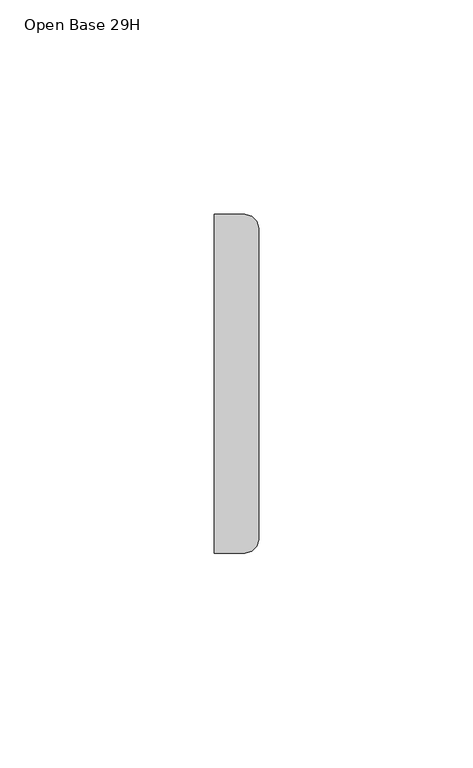
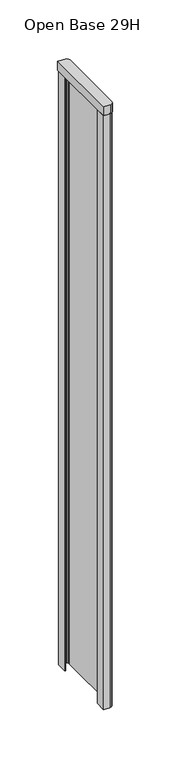
"""IFC4 building model written with IfcOpenShell, lengths in millimetres: furniture geometry, Open Base 29H."""

import ifcopenshell
import ifcopenshell.guid

model = None  # the IFC model being written
_history = None  # IfcOwnerHistory: only IFC2X3 demands one
_inside = {}  # id of a spatial element -> (the spatial element, [elements in it])
_under = {}  # id of a project, library or spatial element -> (it, [spatial elements below it])
_declared = {}  # id of a project -> (the project, [libraries it declares])
_typed = {}  # id of a type object -> (the type object, [elements of that type])
_made_of = {}  # id of a material, layer set ... -> (it, [elements and type objects made of it])


def new_model(schema):
    """Start an empty IFC model of exactly this schema.

    Asked for "IFC4X3", IfcOpenShell would pick the latest addendum, in which some entities
    have other attributes; the version numbers below select the first issue.
    IFC2X3 requires an IfcOwnerHistory on every rooted entity: one is made here for all.
    """
    global model, _history
    if schema == "IFC4X3":
        model = ifcopenshell.file(schema_version=(4, 3, 0, 0))
    else:
        model = ifcopenshell.file(schema=schema)
    _inside.clear()
    _under.clear()
    _declared.clear()
    _typed.clear()
    _made_of.clear()
    _history = None
    if model.schema == "IFC2X3":
        org = make("IfcOrganization", Name="unknown")
        user = make(
            "IfcPersonAndOrganization",
            ThePerson=make("IfcPerson", FamilyName="unknown"),
            TheOrganization=org,
        )
        app = make(
            "IfcApplication",
            ApplicationDeveloper=org,
            Version="unknown",
            ApplicationFullName="unknown",
            ApplicationIdentifier="unknown",
        )
        _history = make(
            "IfcOwnerHistory",
            OwningUser=user,
            OwningApplication=app,
            ChangeAction="ADDED",
            CreationDate=0,
        )
    return model


def make(cls, **values):
    """One entity of the class cls with the attributes given. An attribute that is None is left unset."""
    return model.create_entity(
        cls, **{name: value for name, value in values.items() if value is not None}
    )


def rooted(cls, **values):
    """An entity with a GlobalId (a new one), such as an element, a storey or a relation."""
    return make(cls, GlobalId=ifcopenshell.guid.new(), OwnerHistory=_history, **values)


def si_unit(unit_type, name, prefix=None):
    """IfcSIUnit, for example si_unit("LENGTHUNIT", "METRE", prefix="MILLI")."""
    return make("IfcSIUnit", UnitType=unit_type, Prefix=prefix, Name=name)


def assignment(units):
    """IfcUnitAssignment: the units of a project."""
    return None if units is None else make("IfcUnitAssignment", Units=units)


def point(xyz):
    """IfcCartesianPoint."""
    return None if xyz is None else make("IfcCartesianPoint", Coordinates=xyz)


def direction(xyz):
    """IfcDirection."""
    return None if xyz is None else make("IfcDirection", DirectionRatios=xyz)


def frame(location, z_axis=None, x_axis=None):
    """IfcAxis2Placement3D, a coordinate frame: its origin and axes. An axis left out is left unset."""
    return make(
        "IfcAxis2Placement3D",
        Location=point(location),
        Axis=direction(z_axis),
        RefDirection=direction(x_axis),
    )


def origin():
    """The frame at (0, 0, 0) with its axes left unset."""
    return frame((0.0, 0.0, 0.0))


def place(relative_to, where):
    """IfcLocalPlacement: puts the frame where relative to a parent placement (None: the world)."""
    return make(
        "IfcLocalPlacement", PlacementRelTo=relative_to, RelativePlacement=where
    )


def context(
    kind, dimensions, precision=None, world=None, true_north=None, identifier=None
):
    """IfcGeometricRepresentationContext, for example the 3D "Model" context."""
    return make(
        "IfcGeometricRepresentationContext",
        ContextIdentifier=identifier,
        ContextType=kind,
        CoordinateSpaceDimension=dimensions,
        Precision=precision,
        WorldCoordinateSystem=world,
        TrueNorth=true_north,
    )


def project(units=None, contexts=None):
    """IfcProject with its units and contexts."""
    return rooted(
        "IfcProject",
        Name="project",
        RepresentationContexts=contexts,
        UnitsInContext=assignment(units),
    )


def spatial(cls, under=None, at=None, **own):
    """A site, building, storey or space (cls), placed at a placement, below another one or the project."""
    s = rooted(cls, ObjectPlacement=at, **own)
    if under is not None:
        _under.setdefault(under.id(), (under, []))[1].append(s)
    return s


def polyline(points):
    """IfcPolyline through the points."""
    return make("IfcPolyline", Points=[point(p) for p in points])


def outline(outer, holes=None, kind="AREA"):
    """IfcArbitraryClosedProfileDef: a profile drawn as a closed curve; with holes, ...WithVoids."""
    if holes is None:
        return make("IfcArbitraryClosedProfileDef", ProfileType=kind, OuterCurve=outer)
    return make(
        "IfcArbitraryProfileDefWithVoids",
        ProfileType=kind,
        OuterCurve=outer,
        InnerCurves=holes,
    )


def extrude(swept, where, along, depth):
    """IfcExtrudedAreaSolid: the profile swept, set in the frame where, extruded along a direction by depth."""
    return make(
        "IfcExtrudedAreaSolid",
        SweptArea=swept,
        Position=where,
        ExtrudedDirection=direction(along),
        Depth=depth,
    )


def shape(context_of_items, identifier, shape_type, items):
    """IfcShapeRepresentation: the items that make up one representation, for example the "Body"."""
    return make(
        "IfcShapeRepresentation",
        ContextOfItems=context_of_items,
        RepresentationIdentifier=identifier,
        RepresentationType=shape_type,
        Items=items,
    )


def source(mapping_origin, context_of_items, identifier, shape_type, items):
    """IfcRepresentationMap: a shape defined once, which mapped items show again and again."""
    return make(
        "IfcRepresentationMap",
        MappingOrigin=mapping_origin,
        MappedRepresentation=shape(context_of_items, identifier, shape_type, items),
    )


def transform(
    local_origin,
    x_axis=None,
    y_axis=None,
    z_axis=None,
    scale=None,
    scale2=None,
    scale3=None,
    uniform=True,
):
    """IfcCartesianTransformationOperator3D, or its non-uniform kind. x_axis, y_axis, z_axis: its Axis1, 2, 3."""
    if uniform:
        return make(
            "IfcCartesianTransformationOperator3D",
            Axis1=direction(x_axis),
            Axis2=direction(y_axis),
            LocalOrigin=point(local_origin),
            Scale=scale,
            Axis3=direction(z_axis),
        )
    return make(
        "IfcCartesianTransformationOperator3DnonUniform",
        Axis1=direction(x_axis),
        Axis2=direction(y_axis),
        LocalOrigin=point(local_origin),
        Scale=scale,
        Axis3=direction(z_axis),
        Scale2=scale2,
        Scale3=scale3,
    )


def mapped(mapping_source, mapping_target):
    """IfcMappedItem: shows the shape of a source again, moved by a transform."""
    return make(
        "IfcMappedItem", MappingSource=mapping_source, MappingTarget=mapping_target
    )


def made_of(thing, what):
    """Note that an element or type object is made of a material, layer set ...; save() writes the relation."""
    if what is not None:
        _made_of.setdefault(what.id(), (what, []))[1].append(thing)
    return thing


def element(
    cls,
    number,
    at=None,
    inside=None,
    cuts=None,
    type_object=None,
    material=None,
    context=None,
    identifier="Body",
    shape_type=None,
    held_by="IfcProductDefinitionShape",
    body=None,
    shapes=None,
    **own,
):
    """One element of the class cls, such as IfcWall. Its Tag is "e" and its number.

    at: its placement. inside: the storey or other place that contains it. cuts: it is an
    opening in that element (IfcRelVoidsElement). A single representation is given by context,
    identifier, shape_type and body (its items); several are given by shapes. held_by: the class
    of the entity that holds the representations. save() writes the other relations.
    """
    e = rooted(cls, Tag="e%d" % number, ObjectPlacement=at, **own)
    if body is not None:
        shapes = [shape(context, identifier, shape_type, body)]
    if shapes is not None:
        e.Representation = make(held_by, Representations=shapes)
    if inside is not None:
        _inside.setdefault(inside.id(), (inside, []))[1].append(e)
    if cuts is not None:
        rooted(
            "IfcRelVoidsElement", RelatingBuildingElement=cuts, RelatedOpeningElement=e
        )
    if type_object is not None:
        _typed.setdefault(type_object.id(), (type_object, []))[1].append(e)
    return made_of(e, material)


def aggregate(whole, parts):
    """IfcRelAggregates: a whole, such as a stair, and the parts it consists of."""
    return rooted("IfcRelAggregates", RelatingObject=whole, RelatedObjects=parts)


def save(model, path):
    """Write the relations noted so far, then the file.

    IfcRelAggregates (storeys below a building ...), IfcRelContainedInSpatialStructure (elements
    in a storey), IfcRelDefinesByType, IfcRelAssociatesMaterial and IfcRelDeclares: one each for
    every whole, place, type object, material and project.
    """
    for whole, parts in _under.values():
        aggregate(whole, parts)
    for where, things in _inside.values():
        rooted(
            "IfcRelContainedInSpatialStructure",
            RelatedElements=things,
            RelatingStructure=where,
        )
    for kind, things in _typed.values():
        rooted("IfcRelDefinesByType", RelatedObjects=things, RelatingType=kind)
    for what, things in _made_of.values():
        rooted("IfcRelAssociatesMaterial", RelatedObjects=things, RelatingMaterial=what)
    for by, libraries in _declared.values():
        rooted("IfcRelDeclares", RelatingContext=by, RelatedDefinitions=libraries)
    model.write(path)


def open_base_29h_899daa0f(model_context):
    return source(origin(), model_context, "Body", "SweptSolid", [
        extrude(outline(polyline([(0.0, -10.7823), (0.0, 0.0), (6.3500002, 0.0), (7.9374998, -0.4253693), (9.0996308, -1.5875), (9.525, -3.1750001), (9.525, -75.0570011), (9.0996308, -76.6445041), (7.9374998, -77.8066334), (6.3500002, -78.2319981), (0.0, -78.2319981), (0.0, -67.4242986), (0.7874, -67.4242986), (0.7874, -77.4445981), (6.2463381, -77.4445981), (7.5299127, -77.100669), (8.3936672, -76.2369158), (8.7376, -74.9533381), (8.7376, -3.2786632), (8.3936673, -1.9950883), (7.5299116, -1.1313329), (6.246337, -0.7874), (0.7874, -0.7874), (0.7874, -10.7823), (0.0, -10.7823)])), frame((0.0, 0.0, 101.6), z_axis=(0.0, 0.0, 1.0), x_axis=(1.0, 0.0, 0.0)), (0.0, 0.0, 1.0), 625.475),
        extrude(outline(polyline([(6.7183002, 0.3937), (8.3057998, -0.0316693), (9.4679308, -1.1938001), (9.8933006, -2.7813), (9.8933006, -75.4253016), (9.4679308, -77.0127956), (8.3057998, -78.174934), (6.7183002, -78.6002986), (-0.3937, -78.6002986), (-0.3937, 0.3937), (6.7183002, 0.3937)])), frame((0.0, 0.0, 727.075), z_axis=(0.0, 0.0, 1.0), x_axis=(1.0, 0.0, 0.0)), (0.0, 0.0, 1.0), 9.525),
    ])


if __name__ == "__main__":
    model = new_model("IFC4")
    model_context = context("Model", 3, world=origin())
    ifc_project = project(units=[si_unit("LENGTHUNIT", "METRE", prefix="MILLI")], contexts=[model_context])
    site = spatial("IfcSite", under=ifc_project)
    building = spatial("IfcBuilding", under=site)
    placement = place(None, origin())
    open_base_29h_shape = open_base_29h_899daa0f(model_context)
    element("IfcFurniture", 1, ObjectType="Open Base 29H", at=placement, inside=building, context=model_context, shape_type="MappedRepresentation", body=[
        mapped(open_base_29h_shape, transform((0.0, 0.0, 0.0), x_axis=(1.0, 0.0, 0.0), y_axis=(0.0, 1.0, 0.0), z_axis=(0.0, 0.0, 1.0))),
    ])
    save(model, "model.ifc")
